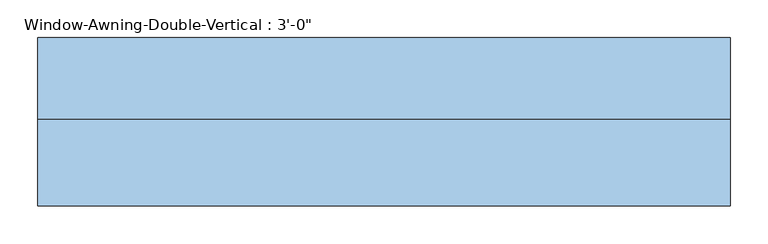
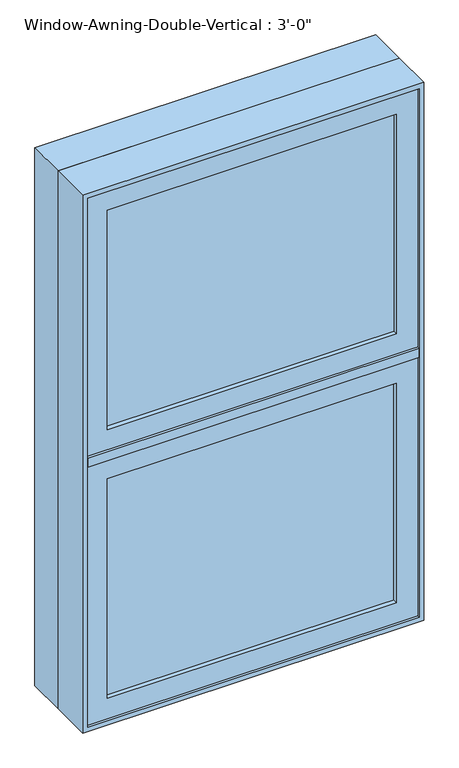
"""IFC4 building model written with IfcOpenShell, lengths in millimetres: window geometry."""

from ifc_helpers import new_model, si_unit, frame, origin, place, context, project, spatial, polyline, outline, extrude, faceted_brep, source, transform, mapped, element, save


def window_a1725628(model_context):
    return source(origin(), model_context, "Body", "SolidModel", [
        extrude(outline(polyline([(927.1, -444.5), (927.1, 444.5), (1663.7, 444.5), (1663.7, -444.5), (927.1, -444.5)]), holes=[polyline([(984.25, 387.35), (984.25, -387.35), (1606.55, -387.35), (1606.55, 387.35), (984.25, 387.35)])]), frame((0.0, -114.3, 0.0), z_axis=(0.0, 1.0, 0.0), x_axis=(0.0, 0.0, 1.0)), (0.0, 0.0, 1.0), 44.45),
        extrude(outline(polyline([(-444.5, -69.85), (-425.45, -69.85), (-425.45, -6.35), (425.45, -6.35), (425.45, -69.85), (444.5, -69.85), (444.5, -120.65), (-444.5, -120.65), (-444.5, -69.85)])), frame((0.0, 0.0, 1663.7), z_axis=(0.0, 0.0, 1.0), x_axis=(1.0, 0.0, 0.0)), (0.0, 0.0, 1.0), 25.4),
        extrude(outline(polyline([(387.35, -101.6), (-387.35, -101.6), (-387.35, -95.25), (387.35, -95.25), (387.35, -101.6)])), frame((0.0, 0.0, 984.25), z_axis=(0.0, 0.0, 1.0), x_axis=(1.0, 0.0, 0.0)), (0.0, 0.0, 1.0), 622.3),
        extrude(outline(polyline([(387.35, -88.9), (-387.35, -88.9), (-387.35, -82.55), (387.35, -82.55), (387.35, -88.9)])), frame((0.0, 0.0, 984.25), z_axis=(0.0, 0.0, 1.0), x_axis=(1.0, 0.0, 0.0)), (0.0, 0.0, 1.0), 622.3),
        extrude(outline(polyline([(387.35, -101.6), (-387.35, -101.6), (-387.35, -95.25), (387.35, -95.25), (387.35, -101.6)])), frame((0.0, 0.0, 1746.25), z_axis=(0.0, 0.0, 1.0), x_axis=(1.0, 0.0, 0.0)), (0.0, 0.0, 1.0), 622.3),
        extrude(outline(polyline([(387.35, -88.9), (-387.35, -88.9), (-387.35, -82.55), (387.35, -82.55), (387.35, -88.9)])), frame((0.0, 0.0, 1746.25), z_axis=(0.0, 0.0, 1.0), x_axis=(1.0, 0.0, 0.0)), (0.0, 0.0, 1.0), 622.3),
        extrude(outline(polyline([(2425.7, -444.5), (1689.1, -444.5), (1689.1, 444.5), (2425.7, 444.5), (2425.7, -444.5)]), holes=[polyline([(1746.25, -387.35), (2368.55, -387.35), (2368.55, 387.35), (1746.25, 387.35), (1746.25, -387.35)])]), frame((0.0, -114.3, 0.0), z_axis=(0.0, 1.0, 0.0), x_axis=(0.0, 0.0, 1.0)), (0.0, 0.0, 1.0), 44.45),
        faceted_brep([(-457.2, -6.35, 2438.4), (-457.2, -6.35, 914.4), (-457.2, -120.65, 914.4), (-457.2, -120.65, 2438.4), (-444.5, -120.65, 2425.7), (-444.5, -120.65, 927.1), (-444.5, -69.85, 927.1), (-444.5, -69.85, 2425.7), (-425.45, -69.85, 2406.65), (-425.45, -69.85, 946.15), (-425.45, -6.35, 946.15), (-425.45, -6.35, 2406.65), (457.2, -6.35, 914.4), (457.2, -120.65, 914.4), (444.5, -120.65, 927.1), (444.5, -69.85, 927.1), (425.45, -69.85, 946.15), (425.45, -6.35, 946.15), (457.2, -6.35, 2438.4), (457.2, -120.65, 2438.4), (444.5, -120.65, 2425.7), (444.5, -69.85, 2425.7), (425.45, -69.85, 2406.65), (425.45, -6.35, 2406.65)], [[[0, 1, 2, 3]], [[4, 5, 6, 7]], [[8, 9, 10, 11]], [[1, 12, 13, 2]], [[5, 14, 15, 6]], [[9, 16, 17, 10]], [[12, 18, 19, 13]], [[14, 20, 21, 15]], [[16, 22, 23, 17]], [[1, 0, 18, 12], [11, 10, 17, 23]], [[18, 0, 3, 19]], [[3, 2, 13, 19], [5, 4, 20, 14]], [[20, 4, 7, 21]], [[7, 6, 15, 21], [9, 8, 22, 16]], [[22, 8, 11, 23]]]),
        extrude(outline(polyline([(2438.4, -457.2), (914.4, -457.2), (914.4, 457.2), (2438.4, 457.2), (2438.4, -457.2)]), holes=[polyline([(2419.35, -438.15), (2419.35, 438.15), (933.45, 438.15), (933.45, -438.15), (2419.35, -438.15)])]), frame((0.0, -6.35, 0.0), z_axis=(0.0, 1.0, 0.0), x_axis=(0.0, 0.0, 1.0)), (0.0, 0.0, 1.0), 107.95),
    ])


if __name__ == "__main__":
    model = new_model("IFC4")
    model_context = context("Model", 3, world=origin())
    ifc_project = project(units=[si_unit("LENGTHUNIT", "METRE", prefix="MILLI")], contexts=[model_context])
    site = spatial("IfcSite", under=ifc_project)
    building = spatial("IfcBuilding", under=site)
    placement = place(None, origin())
    window_shape = window_a1725628(model_context)
    element("IfcWindow", 1, ObjectType="Window-Awning-Double-Vertical : 3'-0\"", at=placement, inside=building, context=model_context, shape_type="MappedRepresentation", body=[
        mapped(window_shape, transform((0.0, 0.0, 0.0), x_axis=(1.0, 0.0, 0.0), y_axis=(0.0, 1.0, 0.0), z_axis=(0.0, 0.0, 1.0))),
    ])
    save(model, "model.ifc")
